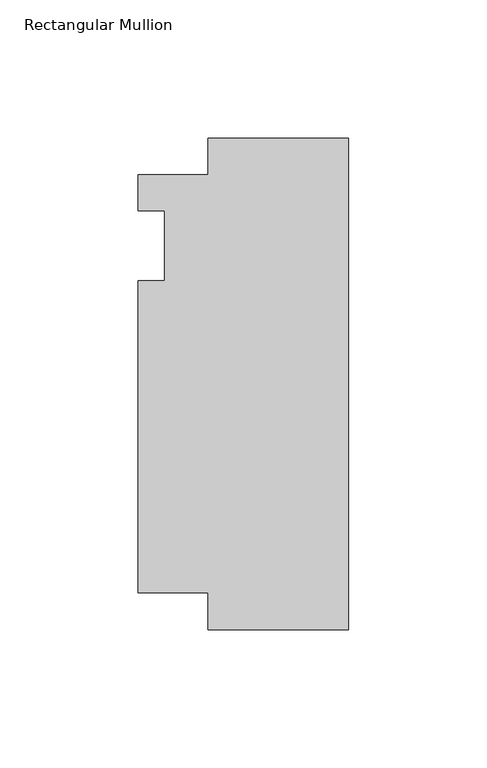
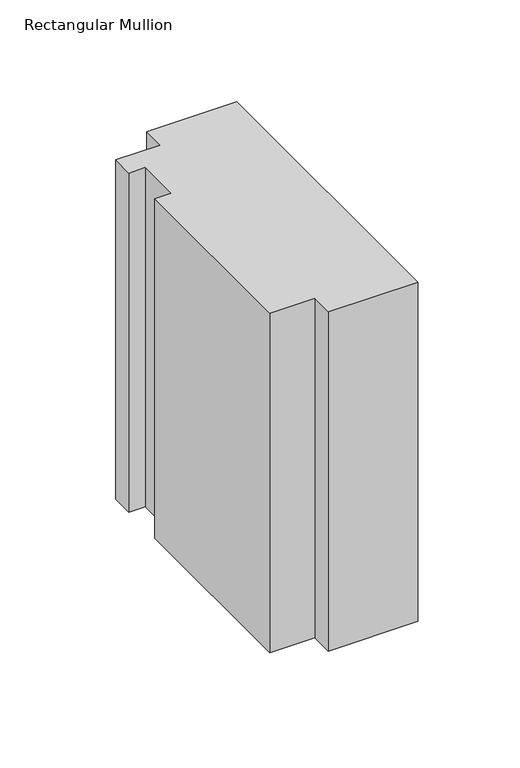
"""IFC4 building model written with IfcOpenShell, lengths in millimetres: member geometry, Rectangular Mullion."""

from ifc_helpers import new_model, si_unit, frame, origin, place, context, project, spatial, polyline, outline, extrude, source, transform, mapped, element, save


def rectangular_mullion_4a2fe04a(model_context):
    return source(origin(), model_context, "Body", "SweptSolid", [
        extrude(outline(polyline([(-76.2, 25.5984375), (-50.7746, 25.5984375), (-50.7746, 38.89375), (0.0, 38.89375), (0.0, -138.9073823), (-50.7746, -138.9073823), (-50.7746, -125.6109375), (-76.2, -125.6109375), (-76.2, -12.7), (-66.675, -12.7), (-66.675, 12.7), (-76.2, 12.7), (-76.2, 25.5984375)])), frame((0.0, 0.0, -203.2), z_axis=(0.0, 0.0, 1.0), x_axis=(1.0, 0.0, 0.0)), (0.0, 0.0, 1.0), 203.2),
    ])


if __name__ == "__main__":
    model = new_model("IFC4")
    model_context = context("Model", 3, world=origin())
    ifc_project = project(units=[si_unit("LENGTHUNIT", "METRE", prefix="MILLI")], contexts=[model_context])
    site = spatial("IfcSite", under=ifc_project)
    building = spatial("IfcBuilding", under=site)
    placement = place(None, origin())
    rectangular_mullion_shape = rectangular_mullion_4a2fe04a(model_context)
    element("IfcMember", 1, ObjectType="Rectangular Mullion", at=placement, inside=building, context=model_context, shape_type="MappedRepresentation", body=[
        mapped(rectangular_mullion_shape, transform((0.0, 0.0, 0.0), x_axis=(1.0, 0.0, 0.0), y_axis=(0.0, 1.0, 0.0), z_axis=(0.0, 0.0, 1.0))),
    ])
    save(model, "model.ifc")
